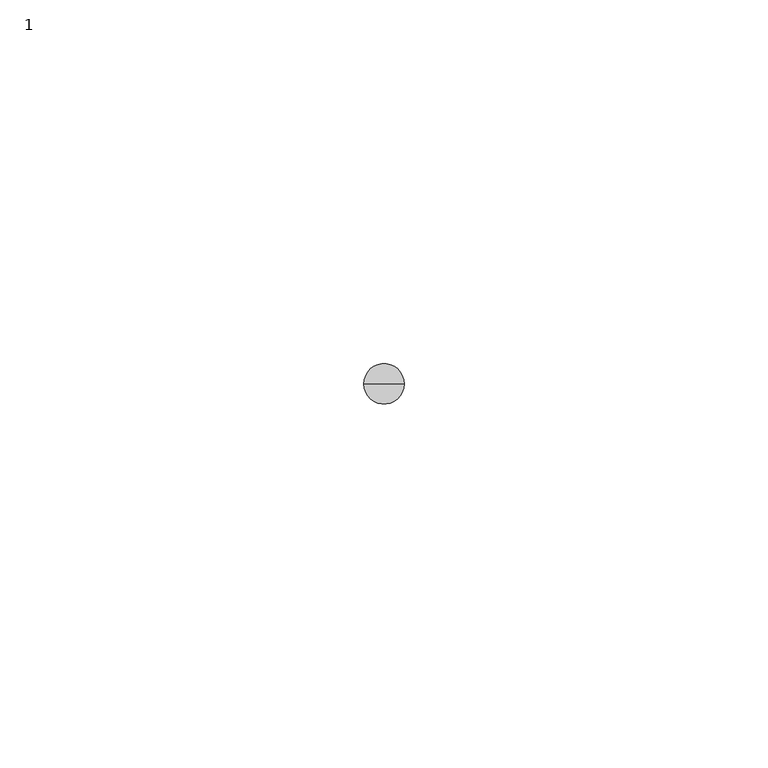
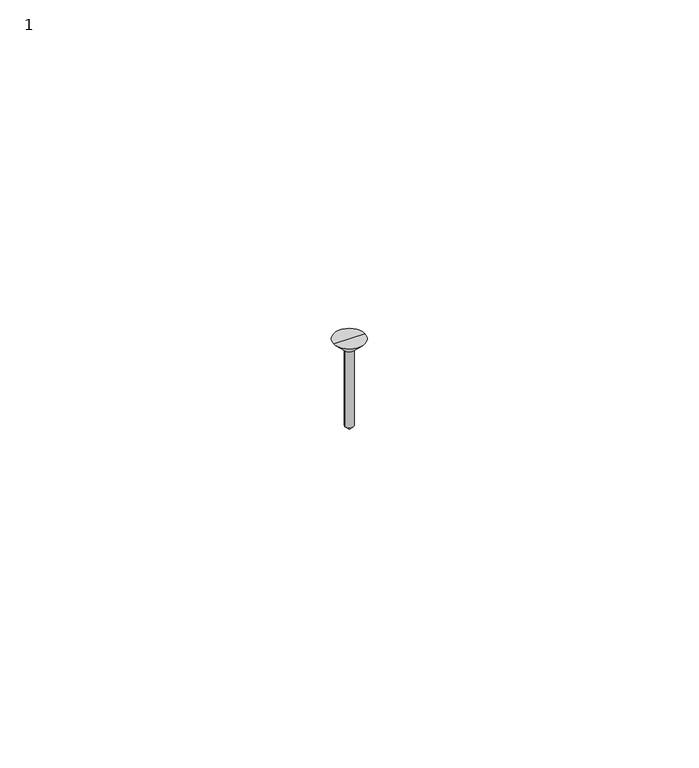
"""IFC4 building model written with IfcOpenShell, lengths in millimetres: proxy geometry, 1."""

import ifcopenshell
import ifcopenshell.guid

model = None  # the IFC model being written
_history = None  # IfcOwnerHistory: only IFC2X3 demands one
_inside = {}  # id of a spatial element -> (the spatial element, [elements in it])
_under = {}  # id of a project, library or spatial element -> (it, [spatial elements below it])
_declared = {}  # id of a project -> (the project, [libraries it declares])
_typed = {}  # id of a type object -> (the type object, [elements of that type])
_made_of = {}  # id of a material, layer set ... -> (it, [elements and type objects made of it])


def new_model(schema):
    """Start an empty IFC model of exactly this schema.

    Asked for "IFC4X3", IfcOpenShell would pick the latest addendum, in which some entities
    have other attributes; the version numbers below select the first issue.
    IFC2X3 requires an IfcOwnerHistory on every rooted entity: one is made here for all.
    """
    global model, _history
    if schema == "IFC4X3":
        model = ifcopenshell.file(schema_version=(4, 3, 0, 0))
    else:
        model = ifcopenshell.file(schema=schema)
    _inside.clear()
    _under.clear()
    _declared.clear()
    _typed.clear()
    _made_of.clear()
    _history = None
    if model.schema == "IFC2X3":
        org = make("IfcOrganization", Name="unknown")
        user = make(
            "IfcPersonAndOrganization",
            ThePerson=make("IfcPerson", FamilyName="unknown"),
            TheOrganization=org,
        )
        app = make(
            "IfcApplication",
            ApplicationDeveloper=org,
            Version="unknown",
            ApplicationFullName="unknown",
            ApplicationIdentifier="unknown",
        )
        _history = make(
            "IfcOwnerHistory",
            OwningUser=user,
            OwningApplication=app,
            ChangeAction="ADDED",
            CreationDate=0,
        )
    return model


def make(cls, **values):
    """One entity of the class cls with the attributes given. An attribute that is None is left unset."""
    return model.create_entity(
        cls, **{name: value for name, value in values.items() if value is not None}
    )


def rooted(cls, **values):
    """An entity with a GlobalId (a new one), such as an element, a storey or a relation."""
    return make(cls, GlobalId=ifcopenshell.guid.new(), OwnerHistory=_history, **values)


def si_unit(unit_type, name, prefix=None):
    """IfcSIUnit, for example si_unit("LENGTHUNIT", "METRE", prefix="MILLI")."""
    return make("IfcSIUnit", UnitType=unit_type, Prefix=prefix, Name=name)


def assignment(units):
    """IfcUnitAssignment: the units of a project."""
    return None if units is None else make("IfcUnitAssignment", Units=units)


def point(xyz):
    """IfcCartesianPoint."""
    return None if xyz is None else make("IfcCartesianPoint", Coordinates=xyz)


def direction(xyz):
    """IfcDirection."""
    return None if xyz is None else make("IfcDirection", DirectionRatios=xyz)


def frame(location, z_axis=None, x_axis=None):
    """IfcAxis2Placement3D, a coordinate frame: its origin and axes. An axis left out is left unset."""
    return make(
        "IfcAxis2Placement3D",
        Location=point(location),
        Axis=direction(z_axis),
        RefDirection=direction(x_axis),
    )


def origin():
    """The frame at (0, 0, 0) with its axes left unset."""
    return frame((0.0, 0.0, 0.0))


def origin_with_axes():
    """The frame at (0, 0, 0) with the z axis (0, 0, 1) and the x axis (1, 0, 0) written out."""
    return frame((0.0, 0.0, 0.0), z_axis=(0.0, 0.0, 1.0), x_axis=(1.0, 0.0, 0.0))


def place(relative_to, where):
    """IfcLocalPlacement: puts the frame where relative to a parent placement (None: the world)."""
    return make(
        "IfcLocalPlacement", PlacementRelTo=relative_to, RelativePlacement=where
    )


def context(
    kind, dimensions, precision=None, world=None, true_north=None, identifier=None
):
    """IfcGeometricRepresentationContext, for example the 3D "Model" context."""
    return make(
        "IfcGeometricRepresentationContext",
        ContextIdentifier=identifier,
        ContextType=kind,
        CoordinateSpaceDimension=dimensions,
        Precision=precision,
        WorldCoordinateSystem=world,
        TrueNorth=true_north,
    )


def project(units=None, contexts=None):
    """IfcProject with its units and contexts."""
    return rooted(
        "IfcProject",
        Name="project",
        RepresentationContexts=contexts,
        UnitsInContext=assignment(units),
    )


def spatial(cls, under=None, at=None, **own):
    """A site, building, storey or space (cls), placed at a placement, below another one or the project."""
    s = rooted(cls, ObjectPlacement=at, **own)
    if under is not None:
        _under.setdefault(under.id(), (under, []))[1].append(s)
    return s


def polyline(points):
    """IfcPolyline through the points."""
    return make("IfcPolyline", Points=[point(p) for p in points])


def circle_curve(where, radius):
    """IfcCircle in the frame where."""
    return make("IfcCircle", Position=where, Radius=radius)


def shape(context_of_items, identifier, shape_type, items):
    """IfcShapeRepresentation: the items that make up one representation, for example the "Body"."""
    return make(
        "IfcShapeRepresentation",
        ContextOfItems=context_of_items,
        RepresentationIdentifier=identifier,
        RepresentationType=shape_type,
        Items=items,
    )


def source(mapping_origin, context_of_items, identifier, shape_type, items):
    """IfcRepresentationMap: a shape defined once, which mapped items show again and again."""
    return make(
        "IfcRepresentationMap",
        MappingOrigin=mapping_origin,
        MappedRepresentation=shape(context_of_items, identifier, shape_type, items),
    )


def transform(
    local_origin,
    x_axis=None,
    y_axis=None,
    z_axis=None,
    scale=None,
    scale2=None,
    scale3=None,
    uniform=True,
):
    """IfcCartesianTransformationOperator3D, or its non-uniform kind. x_axis, y_axis, z_axis: its Axis1, 2, 3."""
    if uniform:
        return make(
            "IfcCartesianTransformationOperator3D",
            Axis1=direction(x_axis),
            Axis2=direction(y_axis),
            LocalOrigin=point(local_origin),
            Scale=scale,
            Axis3=direction(z_axis),
        )
    return make(
        "IfcCartesianTransformationOperator3DnonUniform",
        Axis1=direction(x_axis),
        Axis2=direction(y_axis),
        LocalOrigin=point(local_origin),
        Scale=scale,
        Axis3=direction(z_axis),
        Scale2=scale2,
        Scale3=scale3,
    )


def mapped(mapping_source, mapping_target):
    """IfcMappedItem: shows the shape of a source again, moved by a transform."""
    return make(
        "IfcMappedItem", MappingSource=mapping_source, MappingTarget=mapping_target
    )


def made_of(thing, what):
    """Note that an element or type object is made of a material, layer set ...; save() writes the relation."""
    if what is not None:
        _made_of.setdefault(what.id(), (what, []))[1].append(thing)
    return thing


def element(
    cls,
    number,
    at=None,
    inside=None,
    cuts=None,
    type_object=None,
    material=None,
    context=None,
    identifier="Body",
    shape_type=None,
    held_by="IfcProductDefinitionShape",
    body=None,
    shapes=None,
    **own,
):
    """One element of the class cls, such as IfcWall. Its Tag is "e" and its number.

    at: its placement. inside: the storey or other place that contains it. cuts: it is an
    opening in that element (IfcRelVoidsElement). A single representation is given by context,
    identifier, shape_type and body (its items); several are given by shapes. held_by: the class
    of the entity that holds the representations. save() writes the other relations.
    """
    e = rooted(cls, Tag="e%d" % number, ObjectPlacement=at, **own)
    if body is not None:
        shapes = [shape(context, identifier, shape_type, body)]
    if shapes is not None:
        e.Representation = make(held_by, Representations=shapes)
    if inside is not None:
        _inside.setdefault(inside.id(), (inside, []))[1].append(e)
    if cuts is not None:
        rooted(
            "IfcRelVoidsElement", RelatingBuildingElement=cuts, RelatedOpeningElement=e
        )
    if type_object is not None:
        _typed.setdefault(type_object.id(), (type_object, []))[1].append(e)
    return made_of(e, material)


def aggregate(whole, parts):
    """IfcRelAggregates: a whole, such as a stair, and the parts it consists of."""
    return rooted("IfcRelAggregates", RelatingObject=whole, RelatedObjects=parts)


def save(model, path):
    """Write the relations noted so far, then the file.

    IfcRelAggregates (storeys below a building ...), IfcRelContainedInSpatialStructure (elements
    in a storey), IfcRelDefinesByType, IfcRelAssociatesMaterial and IfcRelDeclares: one each for
    every whole, place, type object, material and project.
    """
    for whole, parts in _under.values():
        aggregate(whole, parts)
    for where, things in _inside.values():
        rooted(
            "IfcRelContainedInSpatialStructure",
            RelatedElements=things,
            RelatingStructure=where,
        )
    for kind, things in _typed.values():
        rooted("IfcRelDefinesByType", RelatedObjects=things, RelatingType=kind)
    for what, things in _made_of.values():
        rooted("IfcRelAssociatesMaterial", RelatedObjects=things, RelatingMaterial=what)
    for by, libraries in _declared.values():
        rooted("IfcRelDeclares", RelatingContext=by, RelatedDefinitions=libraries)
    model.write(path)


def plane_surface(at):
    """IfcPlane: the flat surface through the origin of the frame at, square to its z axis."""
    return make("IfcPlane", Position=at)


def cylinder_surface(at, radius):
    """IfcCylindricalSurface: all points at the distance radius from the z axis of the frame at."""
    return make("IfcCylindricalSurface", Position=at, Radius=radius)


def revolved_surface(curve, axis_point, axis_direction):
    """IfcSurfaceOfRevolution: the curve turned about the line through axis_point along axis_direction."""
    return make(
        "IfcSurfaceOfRevolution",
        SweptCurve=make("IfcArbitraryOpenProfileDef", ProfileType="CURVE", Curve=curve),
        AxisPosition=make("IfcAxis1Placement", Location=point(axis_point), Axis=direction(axis_direction)),
    )


def advanced_brep(points, edges, surfaces, faces):
    """IfcAdvancedBrep: a solid bounded by faces that lie on surfaces and meet in shared edges.

    An edge is (start, end): straight between two places in points (the first is 0);
    or (start, end, curve); or (start, end, curve, False) where it runs against its curve.
    A face is (place in surfaces, loops), or (place, loops, False) where it looks against
    its surface's normal. A loop lists edges by number (the first is 1), with a minus sign
    where the edge is run from its end to its start. The first loop is the outer one.
    """
    corners = [point(p) for p in points]
    vertices = [make("IfcVertexPoint", VertexGeometry=c) for c in corners]
    made = []
    for start, end, *more in edges:
        made.append(
            make(
                "IfcEdgeCurve",
                EdgeStart=vertices[start],
                EdgeEnd=vertices[end],
                EdgeGeometry=more[0] if more else make("IfcPolyline", Points=[corners[start], corners[end]]),
                SameSense=more[1] if len(more) > 1 else True,
            )
        )
    hull = []
    for where, loops, *sense in faces:
        bounds = []
        for j, loop in enumerate(loops):
            ring = [make("IfcOrientedEdge", EdgeElement=made[abs(k) - 1], Orientation=k > 0) for k in loop]
            bounds.append(
                make(
                    "IfcFaceOuterBound" if j == 0 else "IfcFaceBound",
                    Bound=make("IfcEdgeLoop", EdgeList=ring),
                    Orientation=True,
                )
            )
        hull.append(make("IfcAdvancedFace", Bounds=bounds, FaceSurface=surfaces[where], SameSense=sense[0] if sense else True))
    return make("IfcAdvancedBrep", Outer=make("IfcClosedShell", CfsFaces=hull))


def proxy_1_57203203(model_context):
    return source(origin(), model_context, "Body", "AdvancedBrep", [
        advanced_brep(
        [(-0.7714164, 0.0, -2.0016443), (0.7714164, 0.0, -2.0016443), (0.7714164, 0.0, -16.2285836), (-0.7714164, 0.0, -16.2285836), (0.0, 0.0, -17.0), (-2.7730608, 0.0, 0.0), (2.7730608, 0.0, 0.0), (0.0, 0.0, 0.0)],
        [
            (0, 1, circle_curve(frame((0.0, 0.0, -2.0016443), z_axis=(0.0, 0.0, -1.0), x_axis=(1.0, 0.0, 0.0)), 0.7714164)),
            (1, 2),
            (2, 3, circle_curve(frame((0.0, 0.0, -16.2285836), z_axis=(0.0, 0.0, 1.0), x_axis=(1.0, 0.0, 0.0)), 0.7714164)),
            (3, 0),
            (1, 0, circle_curve(frame((0.0, 0.0, -2.0016443), z_axis=(0.0, 0.0, -1.0), x_axis=(1.0, 0.0, 0.0)), 0.7714164)),
            (3, 2, circle_curve(frame((0.0, 0.0, -16.2285836), z_axis=(0.0, 0.0, 1.0), x_axis=(1.0, 0.0, 0.0)), 0.7714164)),
            (2, 4),
            (4, 3),
            (5, 6, circle_curve(frame((0.0, 0.0, 0.0), z_axis=(0.0, 0.0, -1.0), x_axis=(1.0, 0.0, 0.0)), 2.7730608)),
            (6, 1),
            (0, 5),
            (6, 5, circle_curve(frame((0.0, 0.0, 0.0), z_axis=(0.0, 0.0, -1.0), x_axis=(1.0, 0.0, 0.0)), 2.7730608)),
            (7, 6),
            (5, 7),
        ],
        [
            cylinder_surface(origin_with_axes(), 0.7714164),
            revolved_surface(polyline([(0.0, 0.0, -17.0), (0.7714164, 0.0, -16.2285836)]), (0.0, 0.0, 0.0), (0.0, 0.0, 1.0)),
            revolved_surface(polyline([(0.7714164, 0.0, -2.0016443), (2.7730608, 0.0, 0.0)]), (0.0, 0.0, 0.0), (0.0, 0.0, 1.0)),
            plane_surface(origin_with_axes()),
        ],
        [
            (0, [[1, 2, 3, 4]]),
            (0, [[5, -4, 6, -2]]),
            (1, [[-3, 7, 8]]),
            (1, [[-6, -8, -7]]),
            (2, [[9, 10, -1, 11]]),
            (2, [[12, -11, -5, -10]]),
            (3, [[13, -9, 14]]),
            (3, [[-14, -12, -13]]),
        ],
    ),
    ])


if __name__ == "__main__":
    model = new_model("IFC4")
    model_context = context("Model", 3, world=origin())
    ifc_project = project(units=[si_unit("LENGTHUNIT", "METRE", prefix="MILLI")], contexts=[model_context])
    site = spatial("IfcSite", under=ifc_project)
    building = spatial("IfcBuilding", under=site)
    placement = place(None, origin())
    proxy_1_shape = proxy_1_57203203(model_context)
    element("IfcBuildingElementProxy", 1, Name="1", ObjectType="1", at=placement, inside=building, context=model_context, shape_type="MappedRepresentation", body=[
        mapped(proxy_1_shape, transform((0.0, 0.0, 0.0), x_axis=(1.0, 0.0, 0.0), y_axis=(0.0, 1.0, 0.0), z_axis=(0.0, 0.0, 1.0))),
    ])
    save(model, "model.ifc")
